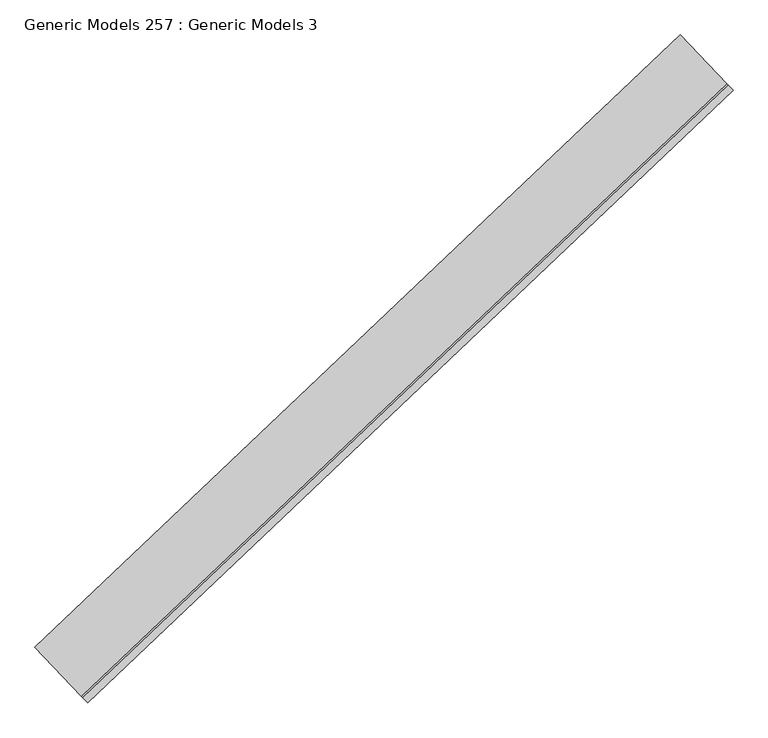
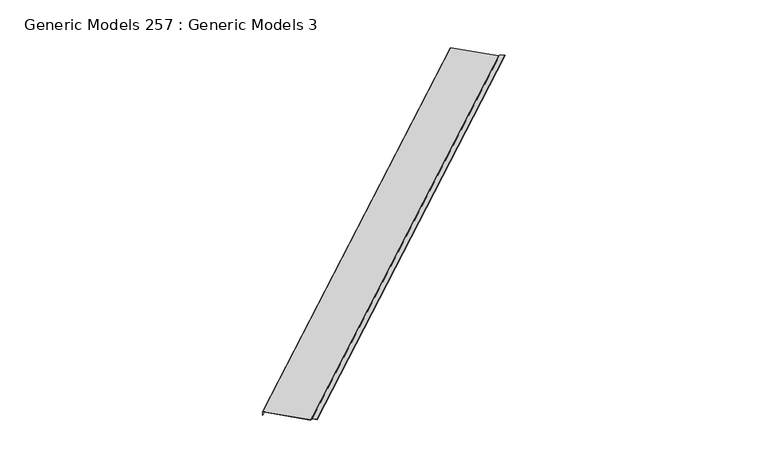
"""IFC4 building model written with IfcOpenShell, lengths in millimetres: proxy geometry, Generic Models 257 : Generic Models 3."""

from ifc_helpers import new_model, si_unit, frame, origin, place, context, project, spatial, polyline, outline, extrude, source, transform, mapped, element, save


def generic_models_257_generic_models_3_5da7bf2b(model_context):
    return source(origin(), model_context, "Body", "SweptSolid", [
        extrude(outline(polyline([(1188.853764, 0.0), (1188.853764, 342.6894266), (1202.347514, 354.0120272), (1202.347514, 388.3749249), (1203.935014, 388.3749249), (1203.935014, 353.2717638), (1190.441264, 341.9491631), (1190.441264, -1.5875001), (1161.4680787, -1.5875001), (1161.4680787, 0.0), (1188.853764, 0.0)])), frame((101794.3207281, 55158.6847631, 17509.8497456), z_axis=(0.7253743710122866, 0.688354575693755, 0.0), x_axis=(0.0, 0.0, 1.0)), (0.0, 0.0, 1.0), 4530.725),
    ])


if __name__ == "__main__":
    model = new_model("IFC4")
    model_context = context("Model", 3, world=origin())
    ifc_project = project(units=[si_unit("LENGTHUNIT", "METRE", prefix="MILLI")], contexts=[model_context])
    site = spatial("IfcSite", under=ifc_project)
    building = spatial("IfcBuilding", under=site)
    placement = place(None, origin())
    generic_models_257_generic_models_3_shape = generic_models_257_generic_models_3_5da7bf2b(model_context)
    element("IfcBuildingElementProxy", 1, Name="Generic Models 257 : Generic Models 3", ObjectType="Generic Models 257 : Generic Models 3", at=placement, inside=building, context=model_context, shape_type="MappedRepresentation", body=[
        mapped(generic_models_257_generic_models_3_shape, transform((0.0, 0.0, 0.0), x_axis=(1.0, 0.0, 0.0), y_axis=(0.0, 1.0, 0.0), z_axis=(0.0, 0.0, 1.0))),
    ])
    save(model, "model.ifc")
